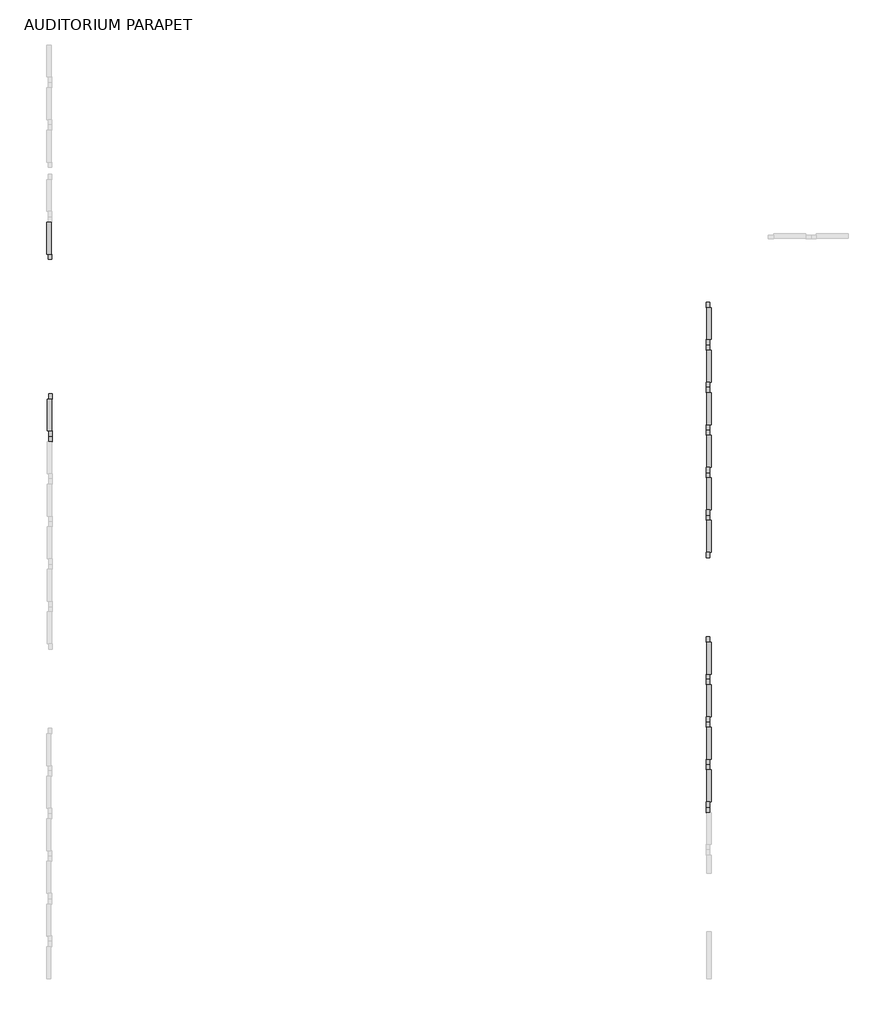
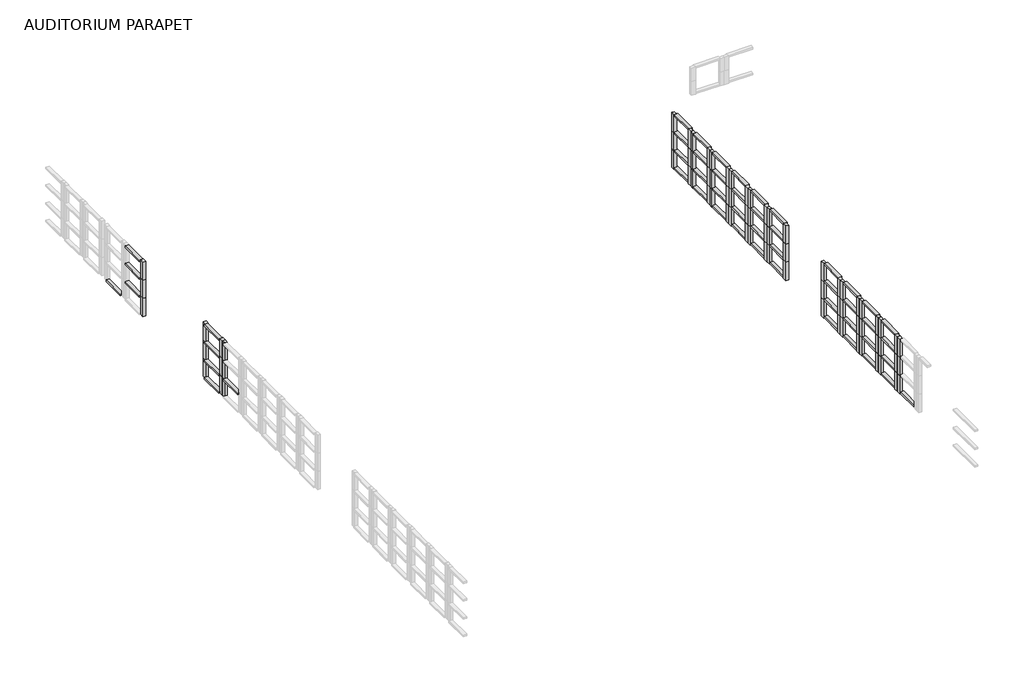
# One storey, part 2 of 6: 125 members.
"""IFC4 building model written with IfcOpenShell, lengths in millimetres."""

import ifcopenshell
import ifcopenshell.guid

model = None  # the IFC model being written
_history = None  # IfcOwnerHistory: only IFC2X3 demands one
_inside = {}  # id of a spatial element -> (the spatial element, [elements in it])
_under = {}  # id of a project, library or spatial element -> (it, [spatial elements below it])
_declared = {}  # id of a project -> (the project, [libraries it declares])
_typed = {}  # id of a type object -> (the type object, [elements of that type])
_made_of = {}  # id of a material, layer set ... -> (it, [elements and type objects made of it])


def new_model(schema):
    """Start an empty IFC model of exactly this schema.

    Asked for "IFC4X3", IfcOpenShell would pick the latest addendum, in which some entities
    have other attributes; the version numbers below select the first issue.
    IFC2X3 requires an IfcOwnerHistory on every rooted entity: one is made here for all.
    """
    global model, _history
    if schema == "IFC4X3":
        model = ifcopenshell.file(schema_version=(4, 3, 0, 0))
    else:
        model = ifcopenshell.file(schema=schema)
    _inside.clear()
    _under.clear()
    _declared.clear()
    _typed.clear()
    _made_of.clear()
    _history = None
    if model.schema == "IFC2X3":
        org = make("IfcOrganization", Name="unknown")
        user = make(
            "IfcPersonAndOrganization",
            ThePerson=make("IfcPerson", FamilyName="unknown"),
            TheOrganization=org,
        )
        app = make(
            "IfcApplication",
            ApplicationDeveloper=org,
            Version="unknown",
            ApplicationFullName="unknown",
            ApplicationIdentifier="unknown",
        )
        _history = make(
            "IfcOwnerHistory",
            OwningUser=user,
            OwningApplication=app,
            ChangeAction="ADDED",
            CreationDate=0,
        )
    return model


def make(cls, **values):
    """One entity of the class cls with the attributes given. An attribute that is None is left unset."""
    return model.create_entity(
        cls, **{name: value for name, value in values.items() if value is not None}
    )


def rooted(cls, **values):
    """An entity with a GlobalId (a new one), such as an element, a storey or a relation."""
    return make(cls, GlobalId=ifcopenshell.guid.new(), OwnerHistory=_history, **values)


def si_unit(unit_type, name, prefix=None):
    """IfcSIUnit, for example si_unit("LENGTHUNIT", "METRE", prefix="MILLI")."""
    return make("IfcSIUnit", UnitType=unit_type, Prefix=prefix, Name=name)


def assignment(units):
    """IfcUnitAssignment: the units of a project."""
    return None if units is None else make("IfcUnitAssignment", Units=units)


def point(xyz):
    """IfcCartesianPoint."""
    return None if xyz is None else make("IfcCartesianPoint", Coordinates=xyz)


def direction(xyz):
    """IfcDirection."""
    return None if xyz is None else make("IfcDirection", DirectionRatios=xyz)


def frame(location, z_axis=None, x_axis=None):
    """IfcAxis2Placement3D, a coordinate frame: its origin and axes. An axis left out is left unset."""
    return make(
        "IfcAxis2Placement3D",
        Location=point(location),
        Axis=direction(z_axis),
        RefDirection=direction(x_axis),
    )


def origin():
    """The frame at (0, 0, 0) with its axes left unset."""
    return frame((0.0, 0.0, 0.0))


def place(relative_to, where):
    """IfcLocalPlacement: puts the frame where relative to a parent placement (None: the world)."""
    return make(
        "IfcLocalPlacement", PlacementRelTo=relative_to, RelativePlacement=where
    )


def context(
    kind, dimensions, precision=None, world=None, true_north=None, identifier=None
):
    """IfcGeometricRepresentationContext, for example the 3D "Model" context."""
    return make(
        "IfcGeometricRepresentationContext",
        ContextIdentifier=identifier,
        ContextType=kind,
        CoordinateSpaceDimension=dimensions,
        Precision=precision,
        WorldCoordinateSystem=world,
        TrueNorth=true_north,
    )


def project(units=None, contexts=None):
    """IfcProject with its units and contexts."""
    return rooted(
        "IfcProject",
        Name="project",
        RepresentationContexts=contexts,
        UnitsInContext=assignment(units),
    )


def spatial(cls, under=None, at=None, **own):
    """A site, building, storey or space (cls), placed at a placement, below another one or the project."""
    s = rooted(cls, ObjectPlacement=at, **own)
    if under is not None:
        _under.setdefault(under.id(), (under, []))[1].append(s)
    return s


def polyline(points):
    """IfcPolyline through the points."""
    return make("IfcPolyline", Points=[point(p) for p in points])


def outline(outer, holes=None, kind="AREA"):
    """IfcArbitraryClosedProfileDef: a profile drawn as a closed curve; with holes, ...WithVoids."""
    if holes is None:
        return make("IfcArbitraryClosedProfileDef", ProfileType=kind, OuterCurve=outer)
    return make(
        "IfcArbitraryProfileDefWithVoids",
        ProfileType=kind,
        OuterCurve=outer,
        InnerCurves=holes,
    )


def extrude(swept, where, along, depth):
    """IfcExtrudedAreaSolid: the profile swept, set in the frame where, extruded along a direction by depth."""
    return make(
        "IfcExtrudedAreaSolid",
        SweptArea=swept,
        Position=where,
        ExtrudedDirection=direction(along),
        Depth=depth,
    )


def shape(context_of_items, identifier, shape_type, items):
    """IfcShapeRepresentation: the items that make up one representation, for example the "Body"."""
    return make(
        "IfcShapeRepresentation",
        ContextOfItems=context_of_items,
        RepresentationIdentifier=identifier,
        RepresentationType=shape_type,
        Items=items,
    )


def source(mapping_origin, context_of_items, identifier, shape_type, items):
    """IfcRepresentationMap: a shape defined once, which mapped items show again and again."""
    return make(
        "IfcRepresentationMap",
        MappingOrigin=mapping_origin,
        MappedRepresentation=shape(context_of_items, identifier, shape_type, items),
    )


def transform(
    local_origin,
    x_axis=None,
    y_axis=None,
    z_axis=None,
    scale=None,
    scale2=None,
    scale3=None,
    uniform=True,
):
    """IfcCartesianTransformationOperator3D, or its non-uniform kind. x_axis, y_axis, z_axis: its Axis1, 2, 3."""
    if uniform:
        return make(
            "IfcCartesianTransformationOperator3D",
            Axis1=direction(x_axis),
            Axis2=direction(y_axis),
            LocalOrigin=point(local_origin),
            Scale=scale,
            Axis3=direction(z_axis),
        )
    return make(
        "IfcCartesianTransformationOperator3DnonUniform",
        Axis1=direction(x_axis),
        Axis2=direction(y_axis),
        LocalOrigin=point(local_origin),
        Scale=scale,
        Axis3=direction(z_axis),
        Scale2=scale2,
        Scale3=scale3,
    )


def mapped(mapping_source, mapping_target):
    """IfcMappedItem: shows the shape of a source again, moved by a transform."""
    return make(
        "IfcMappedItem", MappingSource=mapping_source, MappingTarget=mapping_target
    )


def made_of(thing, what):
    """Note that an element or type object is made of a material, layer set ...; save() writes the relation."""
    if what is not None:
        _made_of.setdefault(what.id(), (what, []))[1].append(thing)
    return thing


def element(
    cls,
    number,
    at=None,
    inside=None,
    cuts=None,
    type_object=None,
    material=None,
    context=None,
    identifier="Body",
    shape_type=None,
    held_by="IfcProductDefinitionShape",
    body=None,
    shapes=None,
    **own,
):
    """One element of the class cls, such as IfcWall. Its Tag is "e" and its number.

    at: its placement. inside: the storey or other place that contains it. cuts: it is an
    opening in that element (IfcRelVoidsElement). A single representation is given by context,
    identifier, shape_type and body (its items); several are given by shapes. held_by: the class
    of the entity that holds the representations. save() writes the other relations.
    """
    e = rooted(cls, Tag="e%d" % number, ObjectPlacement=at, **own)
    if body is not None:
        shapes = [shape(context, identifier, shape_type, body)]
    if shapes is not None:
        e.Representation = make(held_by, Representations=shapes)
    if inside is not None:
        _inside.setdefault(inside.id(), (inside, []))[1].append(e)
    if cuts is not None:
        rooted(
            "IfcRelVoidsElement", RelatingBuildingElement=cuts, RelatedOpeningElement=e
        )
    if type_object is not None:
        _typed.setdefault(type_object.id(), (type_object, []))[1].append(e)
    return made_of(e, material)


def aggregate(whole, parts):
    """IfcRelAggregates: a whole, such as a stair, and the parts it consists of."""
    return rooted("IfcRelAggregates", RelatingObject=whole, RelatedObjects=parts)


def save(model, path):
    """Write the relations noted so far, then the file.

    IfcRelAggregates (storeys below a building ...), IfcRelContainedInSpatialStructure (elements
    in a storey), IfcRelDefinesByType, IfcRelAssociatesMaterial and IfcRelDeclares: one each for
    every whole, place, type object, material and project.
    """
    for whole, parts in _under.values():
        aggregate(whole, parts)
    for where, things in _inside.values():
        rooted(
            "IfcRelContainedInSpatialStructure",
            RelatedElements=things,
            RelatingStructure=where,
        )
    for kind, things in _typed.values():
        rooted("IfcRelDefinesByType", RelatedObjects=things, RelatingType=kind)
    for what, things in _made_of.values():
        rooted("IfcRelAssociatesMaterial", RelatedObjects=things, RelatingMaterial=what)
    for by, libraries in _declared.values():
        rooted("IfcRelDeclares", RelatingContext=by, RelatedDefinitions=libraries)
    model.write(path)


def rectangular_mullion_ace0bac6(model_context):
    return source(origin(), model_context, "Body", "SweptSolid", [
        extrude(outline(polyline([(0.0, 19.05), (0.0, -82.55), (-152.4, -82.55), (-152.4, 19.05), (0.0, 19.05)])), frame((0.0, 0.0, -711.2), z_axis=(0.0, 0.0, 1.0), x_axis=(1.0, 0.0, 0.0)), (0.0, 0.0, 1.0), 711.2),
    ])


def rectangular_mullion_13affec1(model_context):
    return source(origin(), model_context, "Body", "SweptSolid", [
        extrude(outline(polyline([(0.0, 82.55), (0.0, -19.05), (-152.4, -19.05), (-152.4, 82.55), (0.0, 82.55)])), frame((0.0, 0.0, -711.2), z_axis=(0.0, 0.0, 1.0), x_axis=(1.0, 0.0, 0.0)), (0.0, 0.0, 1.0), 711.2),
    ])


def member_73c23c35(model_context):
    return source(origin(), model_context, "Body", "SweptSolid", [
        extrude(outline(polyline([(0.0, 63.5), (0.0, -63.5), (-63.5, -63.5), (-63.5, 63.5), (0.0, 63.5)])), frame((0.0, 0.0, -914.4), z_axis=(0.0, 0.0, 1.0), x_axis=(1.0, 0.0, 0.0)), (0.0, 0.0, 1.0), 914.4),
    ])


def member_410c6227(model_context):
    return source(origin(), model_context, "Body", "SweptSolid", [
        extrude(outline(polyline([(31.75, 63.5), (31.75, -63.5), (-31.75, -63.5), (-31.75, 63.5), (31.75, 63.5)])), frame((0.0, 0.0, -914.4), z_axis=(0.0, 0.0, 1.0), x_axis=(1.0, 0.0, 0.0)), (0.0, 0.0, 1.0), 914.4),
    ])


model = new_model("IFC4")

# Units and contexts
model_context = context("Model", 3, world=origin())
ifc_project = project(units=[si_unit("LENGTHUNIT", "METRE", prefix="MILLI")], contexts=[model_context])

# Site, building, storey
site = spatial("IfcSite", under=ifc_project)
building = spatial("IfcBuilding", under=site)
storey = spatial("IfcBuildingStorey", under=building, Name="AUDITORIUM PARAPET", Elevation=6858.0)

# Members
placement = place(None, origin())
rectangular_mullion_shape = rectangular_mullion_ace0bac6(model_context)
element("IfcMember", 1, ObjectType="Rectangular Mullion", at=placement, inside=storey, context=model_context, shape_type="MappedRepresentation", body=[
    mapped(rectangular_mullion_shape, transform((-226798.4598378, 203305.8144208, 914.4), x_axis=(0.0, 1.0, 0.0), y_axis=(1.0, 0.0, 0.0), z_axis=(0.0, 0.0, -1.0))),
])
element("IfcMember", 2, ObjectType="Rectangular Mullion", at=placement, inside=storey, context=model_context, shape_type="MappedRepresentation", body=[
    mapped(rectangular_mullion_shape, transform((-226798.4598378, 205744.2144208, 914.4), x_axis=(0.0, 1.0, 0.0), y_axis=(1.0, 0.0, 0.0), z_axis=(0.0, 0.0, -1.0))),
])
element("IfcMember", 3, ObjectType="Rectangular Mullion", at=placement, inside=storey, context=model_context, shape_type="MappedRepresentation", body=[
    mapped(rectangular_mullion_shape, transform((-226798.4598378, 200867.4144208, 914.4), x_axis=(0.0, 1.0, 0.0), y_axis=(1.0, 0.0, 0.0), z_axis=(0.0, 0.0, -1.0))),
])
element("IfcMember", 4, ObjectType="Rectangular Mullion", at=placement, inside=storey, context=model_context, shape_type="MappedRepresentation", body=[
    mapped(rectangular_mullion_shape, transform((-226798.4598378, 193722.8960835, 914.4), x_axis=(0.0, 1.0, 0.0), y_axis=(1.0, 0.0, 0.0), z_axis=(0.0, 0.0, -1.0))),
])
element("IfcMember", 5, ObjectType="Rectangular Mullion", at=placement, inside=storey, context=model_context, shape_type="MappedRepresentation", body=[
    mapped(rectangular_mullion_shape, transform((-226798.4598378, 196161.2960835, 914.4), x_axis=(0.0, 1.0, 0.0), y_axis=(1.0, 0.0, 0.0), z_axis=(0.0, 0.0, -1.0))),
])
element("IfcMember", 6, ObjectType="Rectangular Mullion", at=placement, inside=storey, context=model_context, shape_type="MappedRepresentation", body=[
    mapped(rectangular_mullion_shape, transform((-245690.9680239, 208189.4928692, 914.4), x_axis=(0.0, -1.0, 0.0), y_axis=(-1.0, 0.0, 0.0), z_axis=(0.0, 0.0, -1.0))),
])
element("IfcMember", 7, ObjectType="Rectangular Mullion", at=placement, inside=storey, context=model_context, shape_type="MappedRepresentation", body=[
    mapped(rectangular_mullion_shape, transform((-245681.6562056, 203123.2519208, 914.4), x_axis=(0.0, -1.0, 0.0), y_axis=(-1.0, 0.0, 0.0), z_axis=(0.0, 0.0, -1.0))),
])
element("IfcMember", 8, ObjectType="Rectangular Mullion", at=placement, inside=storey, context=model_context, shape_type="MappedRepresentation", body=[
    mapped(rectangular_mullion_shape, transform((-226798.4598378, 202086.6144208, 3048.0), x_axis=(0.0, -1.0, 0.0), y_axis=(1.0, 0.0, 0.0), z_axis=(0.0, 0.0, 1.0))),
])
element("IfcMember", 9, ObjectType="Rectangular Mullion", at=placement, inside=storey, context=model_context, shape_type="MappedRepresentation", body=[
    mapped(rectangular_mullion_shape, transform((-226798.4598378, 204525.0144208, 3048.0), x_axis=(0.0, -1.0, 0.0), y_axis=(1.0, 0.0, 0.0), z_axis=(0.0, 0.0, 1.0))),
])
element("IfcMember", 10, ObjectType="Rectangular Mullion", at=placement, inside=storey, context=model_context, shape_type="MappedRepresentation", body=[
    mapped(rectangular_mullion_shape, transform((-226798.4598378, 199648.2144208, 3048.0), x_axis=(0.0, -1.0, 0.0), y_axis=(1.0, 0.0, 0.0), z_axis=(0.0, 0.0, 1.0))),
])
element("IfcMember", 11, ObjectType="Rectangular Mullion", at=placement, inside=storey, context=model_context, shape_type="MappedRepresentation", body=[
    mapped(rectangular_mullion_shape, transform((-226798.4598378, 192503.6960835, 3048.0), x_axis=(0.0, -1.0, 0.0), y_axis=(1.0, 0.0, 0.0), z_axis=(0.0, 0.0, 1.0))),
])
element("IfcMember", 12, ObjectType="Rectangular Mullion", at=placement, inside=storey, context=model_context, shape_type="MappedRepresentation", body=[
    mapped(rectangular_mullion_shape, transform((-226798.4598378, 194942.0960835, 3048.0), x_axis=(0.0, -1.0, 0.0), y_axis=(1.0, 0.0, 0.0), z_axis=(0.0, 0.0, 1.0))),
])
element("IfcMember", 13, ObjectType="Rectangular Mullion", at=placement, inside=storey, context=model_context, shape_type="MappedRepresentation", body=[
    mapped(rectangular_mullion_shape, transform((-245681.6562056, 204342.4519208, 3048.0), x_axis=(0.0, 1.0, 0.0), y_axis=(-1.0, 0.0, 0.0), z_axis=(0.0, 0.0, 1.0))),
])
rectangular_mullion_2_shape = rectangular_mullion_13affec1(model_context)
element("IfcMember", 14, ObjectType="Rectangular Mullion", at=placement, inside=storey, context=model_context, shape_type="MappedRepresentation", body=[
    mapped(rectangular_mullion_2_shape, transform((-226798.4598378, 203305.8144208, 914.4), x_axis=(0.0, -1.0, 0.0), y_axis=(-1.0, 0.0, 0.0), z_axis=(0.0, 0.0, -1.0))),
])
element("IfcMember", 15, ObjectType="Rectangular Mullion", at=placement, inside=storey, context=model_context, shape_type="MappedRepresentation", body=[
    mapped(rectangular_mullion_2_shape, transform((-226798.4598378, 205744.2144208, 914.4), x_axis=(0.0, -1.0, 0.0), y_axis=(-1.0, 0.0, 0.0), z_axis=(0.0, 0.0, -1.0))),
])
element("IfcMember", 16, ObjectType="Rectangular Mullion", at=placement, inside=storey, context=model_context, shape_type="MappedRepresentation", body=[
    mapped(rectangular_mullion_2_shape, transform((-226798.4598378, 200867.4144208, 914.4), x_axis=(0.0, -1.0, 0.0), y_axis=(-1.0, 0.0, 0.0), z_axis=(0.0, 0.0, -1.0))),
])
element("IfcMember", 17, ObjectType="Rectangular Mullion", at=placement, inside=storey, context=model_context, shape_type="MappedRepresentation", body=[
    mapped(rectangular_mullion_2_shape, transform((-226798.4598378, 193722.8960835, 914.4), x_axis=(0.0, -1.0, 0.0), y_axis=(-1.0, 0.0, 0.0), z_axis=(0.0, 0.0, -1.0))),
])
element("IfcMember", 18, ObjectType="Rectangular Mullion", at=placement, inside=storey, context=model_context, shape_type="MappedRepresentation", body=[
    mapped(rectangular_mullion_2_shape, transform((-226798.4598378, 196161.2960835, 914.4), x_axis=(0.0, -1.0, 0.0), y_axis=(-1.0, 0.0, 0.0), z_axis=(0.0, 0.0, -1.0))),
])
element("IfcMember", 19, ObjectType="Rectangular Mullion", at=placement, inside=storey, context=model_context, shape_type="MappedRepresentation", body=[
    mapped(rectangular_mullion_2_shape, transform((-245681.6562056, 203123.2519208, 914.4), x_axis=(0.0, 1.0, 0.0), y_axis=(1.0, 0.0, 0.0), z_axis=(0.0, 0.0, -1.0))),
])
element("IfcMember", 20, ObjectType="Rectangular Mullion", at=placement, inside=storey, context=model_context, shape_type="MappedRepresentation", body=[
    mapped(rectangular_mullion_2_shape, transform((-226798.4598378, 204525.0144208, 3048.0), x_axis=(0.0, 1.0, 0.0), y_axis=(-1.0, 0.0, 0.0), z_axis=(0.0, 0.0, 1.0))),
])
element("IfcMember", 21, ObjectType="Rectangular Mullion", at=placement, inside=storey, context=model_context, shape_type="MappedRepresentation", body=[
    mapped(rectangular_mullion_2_shape, transform((-226798.4598378, 206963.4144208, 3048.0), x_axis=(0.0, 1.0, 0.0), y_axis=(-1.0, 0.0, 0.0), z_axis=(0.0, 0.0, 1.0))),
])
element("IfcMember", 22, ObjectType="Rectangular Mullion", at=placement, inside=storey, context=model_context, shape_type="MappedRepresentation", body=[
    mapped(rectangular_mullion_2_shape, transform((-226798.4598378, 202086.6144208, 3048.0), x_axis=(0.0, 1.0, 0.0), y_axis=(-1.0, 0.0, 0.0), z_axis=(0.0, 0.0, 1.0))),
])
element("IfcMember", 23, ObjectType="Rectangular Mullion", at=placement, inside=storey, context=model_context, shape_type="MappedRepresentation", body=[
    mapped(rectangular_mullion_2_shape, transform((-226798.4598378, 194942.0960835, 3048.0), x_axis=(0.0, 1.0, 0.0), y_axis=(-1.0, 0.0, 0.0), z_axis=(0.0, 0.0, 1.0))),
])
element("IfcMember", 24, ObjectType="Rectangular Mullion", at=placement, inside=storey, context=model_context, shape_type="MappedRepresentation", body=[
    mapped(rectangular_mullion_2_shape, transform((-226798.4598378, 192503.6960835, 3048.0), x_axis=(0.0, 1.0, 0.0), y_axis=(-1.0, 0.0, 0.0), z_axis=(0.0, 0.0, 1.0))),
])
element("IfcMember", 25, ObjectType="Rectangular Mullion", at=placement, inside=storey, context=model_context, shape_type="MappedRepresentation", body=[
    mapped(rectangular_mullion_2_shape, transform((-226798.4598378, 197380.4960835, 3048.0), x_axis=(0.0, 1.0, 0.0), y_axis=(-1.0, 0.0, 0.0), z_axis=(0.0, 0.0, 1.0))),
])
element("IfcMember", 26, ObjectType="Rectangular Mullion", at=placement, inside=storey, context=model_context, shape_type="MappedRepresentation", body=[
    mapped(rectangular_mullion_2_shape, transform((-226798.4598378, 205744.2144208, 2336.8), x_axis=(0.0, -1.0, 0.0), y_axis=(-1.0, 0.0, 0.0), z_axis=(0.0, 0.0, -1.0))),
])
element("IfcMember", 27, ObjectType="Rectangular Mullion", at=placement, inside=storey, context=model_context, shape_type="MappedRepresentation", body=[
    mapped(rectangular_mullion_2_shape, transform((-226798.4598378, 203305.8144208, 2336.8), x_axis=(0.0, -1.0, 0.0), y_axis=(-1.0, 0.0, 0.0), z_axis=(0.0, 0.0, -1.0))),
])
element("IfcMember", 28, ObjectType="Rectangular Mullion", at=placement, inside=storey, context=model_context, shape_type="MappedRepresentation", body=[
    mapped(rectangular_mullion_2_shape, transform((-226798.4598378, 206963.4144208, 2336.8), x_axis=(0.0, 1.0, 0.0), y_axis=(-1.0, 0.0, 0.0), z_axis=(0.0, 0.0, 1.0))),
])
element("IfcMember", 29, ObjectType="Rectangular Mullion", at=placement, inside=storey, context=model_context, shape_type="MappedRepresentation", body=[
    mapped(rectangular_mullion_2_shape, transform((-226798.4598378, 204525.0144208, 2336.8), x_axis=(0.0, 1.0, 0.0), y_axis=(-1.0, 0.0, 0.0), z_axis=(0.0, 0.0, 1.0))),
])
element("IfcMember", 30, ObjectType="Rectangular Mullion", at=placement, inside=storey, context=model_context, shape_type="MappedRepresentation", body=[
    mapped(rectangular_mullion_2_shape, transform((-226798.4598378, 205744.2144208, 1625.6), x_axis=(0.0, -1.0, 0.0), y_axis=(-1.0, 0.0, 0.0), z_axis=(0.0, 0.0, -1.0))),
])
element("IfcMember", 31, ObjectType="Rectangular Mullion", at=placement, inside=storey, context=model_context, shape_type="MappedRepresentation", body=[
    mapped(rectangular_mullion_2_shape, transform((-226798.4598378, 203305.8144208, 1625.6), x_axis=(0.0, -1.0, 0.0), y_axis=(-1.0, 0.0, 0.0), z_axis=(0.0, 0.0, -1.0))),
])
element("IfcMember", 32, ObjectType="Rectangular Mullion", at=placement, inside=storey, context=model_context, shape_type="MappedRepresentation", body=[
    mapped(rectangular_mullion_2_shape, transform((-226798.4598378, 206963.4144208, 1625.6), x_axis=(0.0, 1.0, 0.0), y_axis=(-1.0, 0.0, 0.0), z_axis=(0.0, 0.0, 1.0))),
])
element("IfcMember", 33, ObjectType="Rectangular Mullion", at=placement, inside=storey, context=model_context, shape_type="MappedRepresentation", body=[
    mapped(rectangular_mullion_2_shape, transform((-226798.4598378, 204525.0144208, 1625.6), x_axis=(0.0, 1.0, 0.0), y_axis=(-1.0, 0.0, 0.0), z_axis=(0.0, 0.0, 1.0))),
])
element("IfcMember", 34, ObjectType="Rectangular Mullion", at=placement, inside=storey, context=model_context, shape_type="MappedRepresentation", body=[
    mapped(rectangular_mullion_shape, transform((-226798.4598378, 205744.2144208, 2336.8), x_axis=(0.0, 1.0, 0.0), y_axis=(1.0, 0.0, 0.0), z_axis=(0.0, 0.0, -1.0))),
])
element("IfcMember", 35, ObjectType="Rectangular Mullion", at=placement, inside=storey, context=model_context, shape_type="MappedRepresentation", body=[
    mapped(rectangular_mullion_shape, transform((-226798.4598378, 203305.8144208, 2336.8), x_axis=(0.0, 1.0, 0.0), y_axis=(1.0, 0.0, 0.0), z_axis=(0.0, 0.0, -1.0))),
])
element("IfcMember", 36, ObjectType="Rectangular Mullion", at=placement, inside=storey, context=model_context, shape_type="MappedRepresentation", body=[
    mapped(rectangular_mullion_shape, transform((-226798.4598378, 200867.4144208, 2336.8), x_axis=(0.0, 1.0, 0.0), y_axis=(1.0, 0.0, 0.0), z_axis=(0.0, 0.0, -1.0))),
])
element("IfcMember", 37, ObjectType="Rectangular Mullion", at=placement, inside=storey, context=model_context, shape_type="MappedRepresentation", body=[
    mapped(rectangular_mullion_shape, transform((-226798.4598378, 196161.2960835, 2336.8), x_axis=(0.0, 1.0, 0.0), y_axis=(1.0, 0.0, 0.0), z_axis=(0.0, 0.0, -1.0))),
])
element("IfcMember", 38, ObjectType="Rectangular Mullion", at=placement, inside=storey, context=model_context, shape_type="MappedRepresentation", body=[
    mapped(rectangular_mullion_shape, transform((-245690.9680239, 208189.4928692, 2336.8), x_axis=(0.0, -1.0, 0.0), y_axis=(-1.0, 0.0, 0.0), z_axis=(0.0, 0.0, -1.0))),
])
element("IfcMember", 39, ObjectType="Rectangular Mullion", at=placement, inside=storey, context=model_context, shape_type="MappedRepresentation", body=[
    mapped(rectangular_mullion_shape, transform((-226798.4598378, 204525.0144208, 2336.8), x_axis=(0.0, -1.0, 0.0), y_axis=(1.0, 0.0, 0.0), z_axis=(0.0, 0.0, 1.0))),
])
element("IfcMember", 40, ObjectType="Rectangular Mullion", at=placement, inside=storey, context=model_context, shape_type="MappedRepresentation", body=[
    mapped(rectangular_mullion_shape, transform((-226798.4598378, 202086.6144208, 2336.8), x_axis=(0.0, -1.0, 0.0), y_axis=(1.0, 0.0, 0.0), z_axis=(0.0, 0.0, 1.0))),
])
element("IfcMember", 41, ObjectType="Rectangular Mullion", at=placement, inside=storey, context=model_context, shape_type="MappedRepresentation", body=[
    mapped(rectangular_mullion_shape, transform((-226798.4598378, 199648.2144208, 2336.8), x_axis=(0.0, -1.0, 0.0), y_axis=(1.0, 0.0, 0.0), z_axis=(0.0, 0.0, 1.0))),
])
element("IfcMember", 42, ObjectType="Rectangular Mullion", at=placement, inside=storey, context=model_context, shape_type="MappedRepresentation", body=[
    mapped(rectangular_mullion_shape, transform((-226798.4598378, 194942.0960835, 2336.8), x_axis=(0.0, -1.0, 0.0), y_axis=(1.0, 0.0, 0.0), z_axis=(0.0, 0.0, 1.0))),
])
element("IfcMember", 43, ObjectType="Rectangular Mullion", at=placement, inside=storey, context=model_context, shape_type="MappedRepresentation", body=[
    mapped(rectangular_mullion_shape, transform((-226798.4598378, 205744.2144208, 1625.6), x_axis=(0.0, 1.0, 0.0), y_axis=(1.0, 0.0, 0.0), z_axis=(0.0, 0.0, -1.0))),
])
element("IfcMember", 44, ObjectType="Rectangular Mullion", at=placement, inside=storey, context=model_context, shape_type="MappedRepresentation", body=[
    mapped(rectangular_mullion_shape, transform((-226798.4598378, 203305.8144208, 1625.6), x_axis=(0.0, 1.0, 0.0), y_axis=(1.0, 0.0, 0.0), z_axis=(0.0, 0.0, -1.0))),
])
element("IfcMember", 45, ObjectType="Rectangular Mullion", at=placement, inside=storey, context=model_context, shape_type="MappedRepresentation", body=[
    mapped(rectangular_mullion_shape, transform((-226798.4598378, 200867.4144208, 1625.6), x_axis=(0.0, 1.0, 0.0), y_axis=(1.0, 0.0, 0.0), z_axis=(0.0, 0.0, -1.0))),
])
element("IfcMember", 46, ObjectType="Rectangular Mullion", at=placement, inside=storey, context=model_context, shape_type="MappedRepresentation", body=[
    mapped(rectangular_mullion_shape, transform((-226798.4598378, 196161.2960835, 1625.6), x_axis=(0.0, 1.0, 0.0), y_axis=(1.0, 0.0, 0.0), z_axis=(0.0, 0.0, -1.0))),
])
element("IfcMember", 47, ObjectType="Rectangular Mullion", at=placement, inside=storey, context=model_context, shape_type="MappedRepresentation", body=[
    mapped(rectangular_mullion_shape, transform((-245690.9680239, 208189.4928692, 1625.6), x_axis=(0.0, -1.0, 0.0), y_axis=(-1.0, 0.0, 0.0), z_axis=(0.0, 0.0, -1.0))),
])
element("IfcMember", 48, ObjectType="Rectangular Mullion", at=placement, inside=storey, context=model_context, shape_type="MappedRepresentation", body=[
    mapped(rectangular_mullion_shape, transform((-226798.4598378, 204525.0144208, 1625.6), x_axis=(0.0, -1.0, 0.0), y_axis=(1.0, 0.0, 0.0), z_axis=(0.0, 0.0, 1.0))),
])
element("IfcMember", 49, ObjectType="Rectangular Mullion", at=placement, inside=storey, context=model_context, shape_type="MappedRepresentation", body=[
    mapped(rectangular_mullion_shape, transform((-226798.4598378, 202086.6144208, 1625.6), x_axis=(0.0, -1.0, 0.0), y_axis=(1.0, 0.0, 0.0), z_axis=(0.0, 0.0, 1.0))),
])
element("IfcMember", 50, ObjectType="Rectangular Mullion", at=placement, inside=storey, context=model_context, shape_type="MappedRepresentation", body=[
    mapped(rectangular_mullion_shape, transform((-226798.4598378, 199648.2144208, 1625.6), x_axis=(0.0, -1.0, 0.0), y_axis=(1.0, 0.0, 0.0), z_axis=(0.0, 0.0, 1.0))),
])
element("IfcMember", 51, ObjectType="Rectangular Mullion", at=placement, inside=storey, context=model_context, shape_type="MappedRepresentation", body=[
    mapped(rectangular_mullion_shape, transform((-226798.4598378, 194942.0960835, 1625.6), x_axis=(0.0, -1.0, 0.0), y_axis=(1.0, 0.0, 0.0), z_axis=(0.0, 0.0, 1.0))),
])
element("IfcMember", 52, ObjectType="Rectangular Mullion", at=placement, inside=storey, context=model_context, shape_type="MappedRepresentation", body=[
    mapped(rectangular_mullion_shape, transform((-226798.4598378, 193722.8960835, 2336.8), x_axis=(0.0, 1.0, 0.0), y_axis=(1.0, 0.0, 0.0), z_axis=(0.0, 0.0, -1.0))),
])
element("IfcMember", 53, ObjectType="Rectangular Mullion", at=placement, inside=storey, context=model_context, shape_type="MappedRepresentation", body=[
    mapped(rectangular_mullion_shape, transform((-245681.6562056, 203123.2519208, 2336.8), x_axis=(0.0, -1.0, 0.0), y_axis=(-1.0, 0.0, 0.0), z_axis=(0.0, 0.0, -1.0))),
])
element("IfcMember", 54, ObjectType="Rectangular Mullion", at=placement, inside=storey, context=model_context, shape_type="MappedRepresentation", body=[
    mapped(rectangular_mullion_shape, transform((-226798.4598378, 192503.6960835, 2336.8), x_axis=(0.0, -1.0, 0.0), y_axis=(1.0, 0.0, 0.0), z_axis=(0.0, 0.0, 1.0))),
])
element("IfcMember", 55, ObjectType="Rectangular Mullion", at=placement, inside=storey, context=model_context, shape_type="MappedRepresentation", body=[
    mapped(rectangular_mullion_shape, transform((-245681.6562056, 204342.4519208, 2336.8), x_axis=(0.0, 1.0, 0.0), y_axis=(-1.0, 0.0, 0.0), z_axis=(0.0, 0.0, 1.0))),
])
element("IfcMember", 56, ObjectType="Rectangular Mullion", at=placement, inside=storey, context=model_context, shape_type="MappedRepresentation", body=[
    mapped(rectangular_mullion_shape, transform((-226798.4598378, 193722.8960835, 1625.6), x_axis=(0.0, 1.0, 0.0), y_axis=(1.0, 0.0, 0.0), z_axis=(0.0, 0.0, -1.0))),
])
element("IfcMember", 57, ObjectType="Rectangular Mullion", at=placement, inside=storey, context=model_context, shape_type="MappedRepresentation", body=[
    mapped(rectangular_mullion_shape, transform((-245681.6562056, 203123.2519208, 1625.6), x_axis=(0.0, -1.0, 0.0), y_axis=(-1.0, 0.0, 0.0), z_axis=(0.0, 0.0, -1.0))),
])
element("IfcMember", 58, ObjectType="Rectangular Mullion", at=placement, inside=storey, context=model_context, shape_type="MappedRepresentation", body=[
    mapped(rectangular_mullion_shape, transform((-226798.4598378, 192503.6960835, 1625.6), x_axis=(0.0, -1.0, 0.0), y_axis=(1.0, 0.0, 0.0), z_axis=(0.0, 0.0, 1.0))),
])
element("IfcMember", 59, ObjectType="Rectangular Mullion", at=placement, inside=storey, context=model_context, shape_type="MappedRepresentation", body=[
    mapped(rectangular_mullion_shape, transform((-245681.6562056, 204342.4519208, 1625.6), x_axis=(0.0, 1.0, 0.0), y_axis=(-1.0, 0.0, 0.0), z_axis=(0.0, 0.0, 1.0))),
])
element("IfcMember", 60, ObjectType="Rectangular Mullion", at=placement, inside=storey, context=model_context, shape_type="MappedRepresentation", body=[
    mapped(rectangular_mullion_2_shape, transform((-226798.4598378, 200867.4144208, 2336.8), x_axis=(0.0, -1.0, 0.0), y_axis=(-1.0, 0.0, 0.0), z_axis=(0.0, 0.0, -1.0))),
])
element("IfcMember", 61, ObjectType="Rectangular Mullion", at=placement, inside=storey, context=model_context, shape_type="MappedRepresentation", body=[
    mapped(rectangular_mullion_2_shape, transform((-226798.4598378, 193722.8960835, 2336.8), x_axis=(0.0, -1.0, 0.0), y_axis=(-1.0, 0.0, 0.0), z_axis=(0.0, 0.0, -1.0))),
])
element("IfcMember", 62, ObjectType="Rectangular Mullion", at=placement, inside=storey, context=model_context, shape_type="MappedRepresentation", body=[
    mapped(rectangular_mullion_2_shape, transform((-226798.4598378, 196161.2960835, 2336.8), x_axis=(0.0, -1.0, 0.0), y_axis=(-1.0, 0.0, 0.0), z_axis=(0.0, 0.0, -1.0))),
])
element("IfcMember", 63, ObjectType="Rectangular Mullion", at=placement, inside=storey, context=model_context, shape_type="MappedRepresentation", body=[
    mapped(rectangular_mullion_2_shape, transform((-245681.6562056, 203123.2519208, 2336.8), x_axis=(0.0, 1.0, 0.0), y_axis=(1.0, 0.0, 0.0), z_axis=(0.0, 0.0, -1.0))),
])
element("IfcMember", 64, ObjectType="Rectangular Mullion", at=placement, inside=storey, context=model_context, shape_type="MappedRepresentation", body=[
    mapped(rectangular_mullion_2_shape, transform((-226798.4598378, 202086.6144208, 2336.8), x_axis=(0.0, 1.0, 0.0), y_axis=(-1.0, 0.0, 0.0), z_axis=(0.0, 0.0, 1.0))),
])
element("IfcMember", 65, ObjectType="Rectangular Mullion", at=placement, inside=storey, context=model_context, shape_type="MappedRepresentation", body=[
    mapped(rectangular_mullion_2_shape, transform((-226798.4598378, 192503.6960835, 2336.8), x_axis=(0.0, 1.0, 0.0), y_axis=(-1.0, 0.0, 0.0), z_axis=(0.0, 0.0, 1.0))),
])
element("IfcMember", 66, ObjectType="Rectangular Mullion", at=placement, inside=storey, context=model_context, shape_type="MappedRepresentation", body=[
    mapped(rectangular_mullion_2_shape, transform((-226798.4598378, 194942.0960835, 2336.8), x_axis=(0.0, 1.0, 0.0), y_axis=(-1.0, 0.0, 0.0), z_axis=(0.0, 0.0, 1.0))),
])
element("IfcMember", 67, ObjectType="Rectangular Mullion", at=placement, inside=storey, context=model_context, shape_type="MappedRepresentation", body=[
    mapped(rectangular_mullion_2_shape, transform((-226798.4598378, 197380.4960835, 2336.8), x_axis=(0.0, 1.0, 0.0), y_axis=(-1.0, 0.0, 0.0), z_axis=(0.0, 0.0, 1.0))),
])
element("IfcMember", 68, ObjectType="Rectangular Mullion", at=placement, inside=storey, context=model_context, shape_type="MappedRepresentation", body=[
    mapped(rectangular_mullion_2_shape, transform((-226798.4598378, 200867.4144208, 1625.6), x_axis=(0.0, -1.0, 0.0), y_axis=(-1.0, 0.0, 0.0), z_axis=(0.0, 0.0, -1.0))),
])
element("IfcMember", 69, ObjectType="Rectangular Mullion", at=placement, inside=storey, context=model_context, shape_type="MappedRepresentation", body=[
    mapped(rectangular_mullion_2_shape, transform((-226798.4598378, 193722.8960835, 1625.6), x_axis=(0.0, -1.0, 0.0), y_axis=(-1.0, 0.0, 0.0), z_axis=(0.0, 0.0, -1.0))),
])
element("IfcMember", 70, ObjectType="Rectangular Mullion", at=placement, inside=storey, context=model_context, shape_type="MappedRepresentation", body=[
    mapped(rectangular_mullion_2_shape, transform((-226798.4598378, 196161.2960835, 1625.6), x_axis=(0.0, -1.0, 0.0), y_axis=(-1.0, 0.0, 0.0), z_axis=(0.0, 0.0, -1.0))),
])
element("IfcMember", 71, ObjectType="Rectangular Mullion", at=placement, inside=storey, context=model_context, shape_type="MappedRepresentation", body=[
    mapped(rectangular_mullion_2_shape, transform((-245681.6562056, 203123.2519208, 1625.6), x_axis=(0.0, 1.0, 0.0), y_axis=(1.0, 0.0, 0.0), z_axis=(0.0, 0.0, -1.0))),
])
element("IfcMember", 72, ObjectType="Rectangular Mullion", at=placement, inside=storey, context=model_context, shape_type="MappedRepresentation", body=[
    mapped(rectangular_mullion_2_shape, transform((-226798.4598378, 202086.6144208, 1625.6), x_axis=(0.0, 1.0, 0.0), y_axis=(-1.0, 0.0, 0.0), z_axis=(0.0, 0.0, 1.0))),
])
element("IfcMember", 73, ObjectType="Rectangular Mullion", at=placement, inside=storey, context=model_context, shape_type="MappedRepresentation", body=[
    mapped(rectangular_mullion_2_shape, transform((-226798.4598378, 192503.6960835, 1625.6), x_axis=(0.0, 1.0, 0.0), y_axis=(-1.0, 0.0, 0.0), z_axis=(0.0, 0.0, 1.0))),
])
element("IfcMember", 74, ObjectType="Rectangular Mullion", at=placement, inside=storey, context=model_context, shape_type="MappedRepresentation", body=[
    mapped(rectangular_mullion_2_shape, transform((-226798.4598378, 194942.0960835, 1625.6), x_axis=(0.0, 1.0, 0.0), y_axis=(-1.0, 0.0, 0.0), z_axis=(0.0, 0.0, 1.0))),
])
element("IfcMember", 75, ObjectType="Rectangular Mullion", at=placement, inside=storey, context=model_context, shape_type="MappedRepresentation", body=[
    mapped(rectangular_mullion_2_shape, transform((-226798.4598378, 197380.4960835, 1625.6), x_axis=(0.0, 1.0, 0.0), y_axis=(-1.0, 0.0, 0.0), z_axis=(0.0, 0.0, 1.0))),
])
member_shape = member_73c23c35(model_context)
element("IfcMember", 76, ObjectType="Rectangular Mullion : 2.5\" x 5\" rectangular", at=placement, inside=storey, context=model_context, shape_type="MappedRepresentation", body=[
    mapped(member_shape, transform((-226798.4598378, 203153.4144208, 3048.0), x_axis=(0.0, 0.0, 1.0), y_axis=(1.0, 0.0, 0.0), z_axis=(0.0, 1.0, 0.0))),
])
element("IfcMember", 77, ObjectType="Rectangular Mullion : 2.5\" x 5\" rectangular", at=placement, inside=storey, context=model_context, shape_type="MappedRepresentation", body=[
    mapped(member_shape, transform((-226798.4598378, 205591.8144208, 3048.0), x_axis=(0.0, 0.0, 1.0), y_axis=(1.0, 0.0, 0.0), z_axis=(0.0, 1.0, 0.0))),
])
element("IfcMember", 78, ObjectType="Rectangular Mullion : 2.5\" x 5\" rectangular", at=placement, inside=storey, context=model_context, shape_type="MappedRepresentation", body=[
    mapped(member_shape, transform((-226798.4598378, 200715.0144208, 3048.0), x_axis=(0.0, 0.0, 1.0), y_axis=(1.0, 0.0, 0.0), z_axis=(0.0, 1.0, 0.0))),
])
element("IfcMember", 79, ObjectType="Rectangular Mullion : 2.5\" x 5\" rectangular", at=placement, inside=storey, context=model_context, shape_type="MappedRepresentation", body=[
    mapped(member_shape, transform((-226798.4598378, 193570.4960835, 3048.0), x_axis=(0.0, 0.0, 1.0), y_axis=(1.0, 0.0, 0.0), z_axis=(0.0, 1.0, 0.0))),
])
element("IfcMember", 80, ObjectType="Rectangular Mullion : 2.5\" x 5\" rectangular", at=placement, inside=storey, context=model_context, shape_type="MappedRepresentation", body=[
    mapped(member_shape, transform((-226798.4598378, 196008.8960835, 3048.0), x_axis=(0.0, 0.0, 1.0), y_axis=(1.0, 0.0, 0.0), z_axis=(0.0, 1.0, 0.0))),
])
element("IfcMember", 81, ObjectType="Rectangular Mullion : 2.5\" x 5\" rectangular", at=placement, inside=storey, context=model_context, shape_type="MappedRepresentation", body=[
    mapped(member_shape, transform((-245690.9680239, 208341.8928692, 3048.0), x_axis=(0.0, 0.0, 1.0), y_axis=(-1.0, 0.0, 0.0), z_axis=(0.0, -1.0, 0.0))),
])
element("IfcMember", 82, ObjectType="Rectangular Mullion : 2.5\" x 5\" rectangular", at=placement, inside=storey, context=model_context, shape_type="MappedRepresentation", body=[
    mapped(member_shape, transform((-245681.6562056, 203275.6519208, 3048.0), x_axis=(0.0, 0.0, 1.0), y_axis=(-1.0, 0.0, 0.0), z_axis=(0.0, -1.0, 0.0))),
])
element("IfcMember", 83, ObjectType="Rectangular Mullion : 2.5\" x 5\" rectangular", at=placement, inside=storey, context=model_context, shape_type="MappedRepresentation", body=[
    mapped(member_shape, transform((-226798.4598378, 202239.0144208, 914.4), x_axis=(0.0, 0.0, -1.0), y_axis=(1.0, 0.0, 0.0), z_axis=(0.0, -1.0, 0.0))),
])
element("IfcMember", 84, ObjectType="Rectangular Mullion : 2.5\" x 5\" rectangular", at=placement, inside=storey, context=model_context, shape_type="MappedRepresentation", body=[
    mapped(member_shape, transform((-226798.4598378, 204677.4144208, 914.4), x_axis=(0.0, 0.0, -1.0), y_axis=(1.0, 0.0, 0.0), z_axis=(0.0, -1.0, 0.0))),
])
element("IfcMember", 85, ObjectType="Rectangular Mullion : 2.5\" x 5\" rectangular", at=placement, inside=storey, context=model_context, shape_type="MappedRepresentation", body=[
    mapped(member_shape, transform((-226798.4598378, 199800.6144208, 914.4), x_axis=(0.0, 0.0, -1.0), y_axis=(1.0, 0.0, 0.0), z_axis=(0.0, -1.0, 0.0))),
])
element("IfcMember", 86, ObjectType="Rectangular Mullion : 2.5\" x 5\" rectangular", at=placement, inside=storey, context=model_context, shape_type="MappedRepresentation", body=[
    mapped(member_shape, transform((-226798.4598378, 192656.0960835, 914.4), x_axis=(0.0, 0.0, -1.0), y_axis=(1.0, 0.0, 0.0), z_axis=(0.0, -1.0, 0.0))),
])
element("IfcMember", 87, ObjectType="Rectangular Mullion : 2.5\" x 5\" rectangular", at=placement, inside=storey, context=model_context, shape_type="MappedRepresentation", body=[
    mapped(member_shape, transform((-226798.4598378, 195094.4960835, 914.4), x_axis=(0.0, 0.0, -1.0), y_axis=(1.0, 0.0, 0.0), z_axis=(0.0, -1.0, 0.0))),
])
element("IfcMember", 88, ObjectType="Rectangular Mullion : 2.5\" x 5\" rectangular", at=placement, inside=storey, context=model_context, shape_type="MappedRepresentation", body=[
    mapped(member_shape, transform((-245681.6562056, 204190.0519208, 914.4), x_axis=(0.0, 0.0, -1.0), y_axis=(-1.0, 0.0, 0.0), z_axis=(0.0, 1.0, 0.0))),
])
member_2_shape = member_410c6227(model_context)
element("IfcMember", 89, ObjectType="Rectangular Mullion : 2.5\" x 5\" rectangular", at=placement, inside=storey, context=model_context, shape_type="MappedRepresentation", body=[
    mapped(member_2_shape, transform((-226798.4598378, 205591.8144208, 2336.8), x_axis=(0.0, 0.0, 1.0), y_axis=(1.0, 0.0, 0.0), z_axis=(0.0, 1.0, 0.0))),
])
element("IfcMember", 90, ObjectType="Rectangular Mullion : 2.5\" x 5\" rectangular", at=placement, inside=storey, context=model_context, shape_type="MappedRepresentation", body=[
    mapped(member_2_shape, transform((-226798.4598378, 205591.8144208, 1625.6), x_axis=(0.0, 0.0, 1.0), y_axis=(1.0, 0.0, 0.0), z_axis=(0.0, 1.0, 0.0))),
])
element("IfcMember", 91, ObjectType="Rectangular Mullion : 2.5\" x 5\" rectangular", at=placement, inside=storey, context=model_context, shape_type="MappedRepresentation", body=[
    mapped(member_2_shape, transform((-226798.4598378, 203153.4144208, 1625.6), x_axis=(0.0, 0.0, 1.0), y_axis=(1.0, 0.0, 0.0), z_axis=(0.0, 1.0, 0.0))),
])
element("IfcMember", 92, ObjectType="Rectangular Mullion : 2.5\" x 5\" rectangular", at=placement, inside=storey, context=model_context, shape_type="MappedRepresentation", body=[
    mapped(member_2_shape, transform((-226798.4598378, 203153.4144208, 2336.8), x_axis=(0.0, 0.0, 1.0), y_axis=(1.0, 0.0, 0.0), z_axis=(0.0, 1.0, 0.0))),
])
element("IfcMember", 93, ObjectType="Rectangular Mullion : 2.5\" x 5\" rectangular", at=placement, inside=storey, context=model_context, shape_type="MappedRepresentation", body=[
    mapped(member_2_shape, transform((-226798.4598378, 200715.0144208, 1625.6), x_axis=(0.0, 0.0, 1.0), y_axis=(1.0, 0.0, 0.0), z_axis=(0.0, 1.0, 0.0))),
])
element("IfcMember", 94, ObjectType="Rectangular Mullion : 2.5\" x 5\" rectangular", at=placement, inside=storey, context=model_context, shape_type="MappedRepresentation", body=[
    mapped(member_2_shape, transform((-226798.4598378, 200715.0144208, 2336.8), x_axis=(0.0, 0.0, 1.0), y_axis=(1.0, 0.0, 0.0), z_axis=(0.0, 1.0, 0.0))),
])
element("IfcMember", 95, ObjectType="Rectangular Mullion : 2.5\" x 5\" rectangular", at=placement, inside=storey, context=model_context, shape_type="MappedRepresentation", body=[
    mapped(member_2_shape, transform((-226798.4598378, 196008.8960835, 1625.6), x_axis=(0.0, 0.0, 1.0), y_axis=(1.0, 0.0, 0.0), z_axis=(0.0, 1.0, 0.0))),
])
element("IfcMember", 96, ObjectType="Rectangular Mullion : 2.5\" x 5\" rectangular", at=placement, inside=storey, context=model_context, shape_type="MappedRepresentation", body=[
    mapped(member_2_shape, transform((-226798.4598378, 196008.8960835, 2336.8), x_axis=(0.0, 0.0, 1.0), y_axis=(1.0, 0.0, 0.0), z_axis=(0.0, 1.0, 0.0))),
])
element("IfcMember", 97, ObjectType="Rectangular Mullion : 2.5\" x 5\" rectangular", at=placement, inside=storey, context=model_context, shape_type="MappedRepresentation", body=[
    mapped(member_2_shape, transform((-245690.9680239, 208341.8928692, 2336.8), x_axis=(0.0, 0.0, 1.0), y_axis=(-1.0, 0.0, 0.0), z_axis=(0.0, -1.0, 0.0))),
])
element("IfcMember", 98, ObjectType="Rectangular Mullion : 2.5\" x 5\" rectangular", at=placement, inside=storey, context=model_context, shape_type="MappedRepresentation", body=[
    mapped(member_2_shape, transform((-245690.9680239, 208341.8928692, 1625.6), x_axis=(0.0, 0.0, 1.0), y_axis=(-1.0, 0.0, 0.0), z_axis=(0.0, -1.0, 0.0))),
])
element("IfcMember", 99, ObjectType="Rectangular Mullion : 2.5\" x 5\" rectangular", at=placement, inside=storey, context=model_context, shape_type="MappedRepresentation", body=[
    mapped(member_shape, transform((-226798.4598378, 203458.2144208, 3048.0), x_axis=(0.0, 0.0, 1.0), y_axis=(-1.0, 0.0, 0.0), z_axis=(0.0, -1.0, 0.0))),
])
element("IfcMember", 100, ObjectType="Rectangular Mullion : 2.5\" x 5\" rectangular", at=placement, inside=storey, context=model_context, shape_type="MappedRepresentation", body=[
    mapped(member_shape, transform((-226798.4598378, 205896.6144208, 3048.0), x_axis=(0.0, 0.0, 1.0), y_axis=(-1.0, 0.0, 0.0), z_axis=(0.0, -1.0, 0.0))),
])
element("IfcMember", 101, ObjectType="Rectangular Mullion : 2.5\" x 5\" rectangular", at=placement, inside=storey, context=model_context, shape_type="MappedRepresentation", body=[
    mapped(member_shape, transform((-226798.4598378, 201019.8144208, 3048.0), x_axis=(0.0, 0.0, 1.0), y_axis=(-1.0, 0.0, 0.0), z_axis=(0.0, -1.0, 0.0))),
])
element("IfcMember", 102, ObjectType="Rectangular Mullion : 2.5\" x 5\" rectangular", at=placement, inside=storey, context=model_context, shape_type="MappedRepresentation", body=[
    mapped(member_shape, transform((-226798.4598378, 193875.2960835, 3048.0), x_axis=(0.0, 0.0, 1.0), y_axis=(-1.0, 0.0, 0.0), z_axis=(0.0, -1.0, 0.0))),
])
element("IfcMember", 103, ObjectType="Rectangular Mullion : 2.5\" x 5\" rectangular", at=placement, inside=storey, context=model_context, shape_type="MappedRepresentation", body=[
    mapped(member_shape, transform((-226798.4598378, 196313.6960835, 3048.0), x_axis=(0.0, 0.0, 1.0), y_axis=(-1.0, 0.0, 0.0), z_axis=(0.0, -1.0, 0.0))),
])
element("IfcMember", 104, ObjectType="Rectangular Mullion : 2.5\" x 5\" rectangular", at=placement, inside=storey, context=model_context, shape_type="MappedRepresentation", body=[
    mapped(member_shape, transform((-226798.4598378, 204372.6144208, 914.4), x_axis=(0.0, 0.0, -1.0), y_axis=(-1.0, 0.0, 0.0), z_axis=(0.0, 1.0, 0.0))),
])
element("IfcMember", 105, ObjectType="Rectangular Mullion : 2.5\" x 5\" rectangular", at=placement, inside=storey, context=model_context, shape_type="MappedRepresentation", body=[
    mapped(member_shape, transform((-226798.4598378, 206811.0144208, 914.4), x_axis=(0.0, 0.0, -1.0), y_axis=(-1.0, 0.0, 0.0), z_axis=(0.0, 1.0, 0.0))),
])
element("IfcMember", 106, ObjectType="Rectangular Mullion : 2.5\" x 5\" rectangular", at=placement, inside=storey, context=model_context, shape_type="MappedRepresentation", body=[
    mapped(member_shape, transform((-226798.4598378, 201934.2144208, 914.4), x_axis=(0.0, 0.0, -1.0), y_axis=(-1.0, 0.0, 0.0), z_axis=(0.0, 1.0, 0.0))),
])
element("IfcMember", 107, ObjectType="Rectangular Mullion : 2.5\" x 5\" rectangular", at=placement, inside=storey, context=model_context, shape_type="MappedRepresentation", body=[
    mapped(member_shape, transform((-226798.4598378, 194789.6960835, 914.4), x_axis=(0.0, 0.0, -1.0), y_axis=(-1.0, 0.0, 0.0), z_axis=(0.0, 1.0, 0.0))),
])
element("IfcMember", 108, ObjectType="Rectangular Mullion : 2.5\" x 5\" rectangular", at=placement, inside=storey, context=model_context, shape_type="MappedRepresentation", body=[
    mapped(member_shape, transform((-226798.4598378, 192351.2960835, 914.4), x_axis=(0.0, 0.0, -1.0), y_axis=(-1.0, 0.0, 0.0), z_axis=(0.0, 1.0, 0.0))),
])
element("IfcMember", 109, ObjectType="Rectangular Mullion : 2.5\" x 5\" rectangular", at=placement, inside=storey, context=model_context, shape_type="MappedRepresentation", body=[
    mapped(member_shape, transform((-226798.4598378, 197228.0960835, 914.4), x_axis=(0.0, 0.0, -1.0), y_axis=(-1.0, 0.0, 0.0), z_axis=(0.0, 1.0, 0.0))),
])
element("IfcMember", 110, ObjectType="Rectangular Mullion : 2.5\" x 5\" rectangular", at=placement, inside=storey, context=model_context, shape_type="MappedRepresentation", body=[
    mapped(member_shape, transform((-245690.9680239, 209561.0928692, 914.4), x_axis=(0.0, 0.0, -1.0), y_axis=(1.0, 0.0, 0.0), z_axis=(0.0, -1.0, 0.0))),
])
element("IfcMember", 111, ObjectType="Rectangular Mullion : 2.5\" x 5\" rectangular", at=placement, inside=storey, context=model_context, shape_type="MappedRepresentation", body=[
    mapped(member_2_shape, transform((-226798.4598378, 205896.6144208, 1625.6), x_axis=(0.0, 0.0, 1.0), y_axis=(-1.0, 0.0, 0.0), z_axis=(0.0, -1.0, 0.0))),
])
element("IfcMember", 112, ObjectType="Rectangular Mullion : 2.5\" x 5\" rectangular", at=placement, inside=storey, context=model_context, shape_type="MappedRepresentation", body=[
    mapped(member_2_shape, transform((-226798.4598378, 205896.6144208, 2336.8), x_axis=(0.0, 0.0, 1.0), y_axis=(-1.0, 0.0, 0.0), z_axis=(0.0, -1.0, 0.0))),
])
element("IfcMember", 113, ObjectType="Rectangular Mullion : 2.5\" x 5\" rectangular", at=placement, inside=storey, context=model_context, shape_type="MappedRepresentation", body=[
    mapped(member_2_shape, transform((-226798.4598378, 203458.2144208, 2336.8), x_axis=(0.0, 0.0, 1.0), y_axis=(-1.0, 0.0, 0.0), z_axis=(0.0, -1.0, 0.0))),
])
element("IfcMember", 114, ObjectType="Rectangular Mullion : 2.5\" x 5\" rectangular", at=placement, inside=storey, context=model_context, shape_type="MappedRepresentation", body=[
    mapped(member_2_shape, transform((-226798.4598378, 203458.2144208, 1625.6), x_axis=(0.0, 0.0, 1.0), y_axis=(-1.0, 0.0, 0.0), z_axis=(0.0, -1.0, 0.0))),
])
element("IfcMember", 115, ObjectType="Rectangular Mullion : 2.5\" x 5\" rectangular", at=placement, inside=storey, context=model_context, shape_type="MappedRepresentation", body=[
    mapped(member_2_shape, transform((-226798.4598378, 201019.8144208, 1625.6), x_axis=(0.0, 0.0, 1.0), y_axis=(-1.0, 0.0, 0.0), z_axis=(0.0, -1.0, 0.0))),
])
element("IfcMember", 116, ObjectType="Rectangular Mullion : 2.5\" x 5\" rectangular", at=placement, inside=storey, context=model_context, shape_type="MappedRepresentation", body=[
    mapped(member_2_shape, transform((-226798.4598378, 201019.8144208, 2336.8), x_axis=(0.0, 0.0, 1.0), y_axis=(-1.0, 0.0, 0.0), z_axis=(0.0, -1.0, 0.0))),
])
element("IfcMember", 117, ObjectType="Rectangular Mullion : 2.5\" x 5\" rectangular", at=placement, inside=storey, context=model_context, shape_type="MappedRepresentation", body=[
    mapped(member_2_shape, transform((-226798.4598378, 193875.2960835, 1625.6), x_axis=(0.0, 0.0, 1.0), y_axis=(-1.0, 0.0, 0.0), z_axis=(0.0, -1.0, 0.0))),
])
element("IfcMember", 118, ObjectType="Rectangular Mullion : 2.5\" x 5\" rectangular", at=placement, inside=storey, context=model_context, shape_type="MappedRepresentation", body=[
    mapped(member_2_shape, transform((-226798.4598378, 193875.2960835, 2336.8), x_axis=(0.0, 0.0, 1.0), y_axis=(-1.0, 0.0, 0.0), z_axis=(0.0, -1.0, 0.0))),
])
element("IfcMember", 119, ObjectType="Rectangular Mullion : 2.5\" x 5\" rectangular", at=placement, inside=storey, context=model_context, shape_type="MappedRepresentation", body=[
    mapped(member_2_shape, transform((-226798.4598378, 196313.6960835, 1625.6), x_axis=(0.0, 0.0, 1.0), y_axis=(-1.0, 0.0, 0.0), z_axis=(0.0, -1.0, 0.0))),
])
element("IfcMember", 120, ObjectType="Rectangular Mullion : 2.5\" x 5\" rectangular", at=placement, inside=storey, context=model_context, shape_type="MappedRepresentation", body=[
    mapped(member_2_shape, transform((-226798.4598378, 196313.6960835, 2336.8), x_axis=(0.0, 0.0, 1.0), y_axis=(-1.0, 0.0, 0.0), z_axis=(0.0, -1.0, 0.0))),
])
element("IfcMember", 121, ObjectType="Rectangular Mullion : 2.5\" x 5\" rectangular", at=placement, inside=storey, context=model_context, shape_type="MappedRepresentation", body=[
    mapped(member_2_shape, transform((-245681.6562056, 202970.8519208, 1625.6), x_axis=(0.0, 0.0, 1.0), y_axis=(1.0, 0.0, 0.0), z_axis=(0.0, 1.0, 0.0))),
])
element("IfcMember", 122, ObjectType="Rectangular Mullion : 2.5\" x 5\" rectangular", at=placement, inside=storey, context=model_context, shape_type="MappedRepresentation", body=[
    mapped(member_2_shape, transform((-226798.4598378, 193570.4960835, 2336.8), x_axis=(0.0, 0.0, 1.0), y_axis=(1.0, 0.0, 0.0), z_axis=(0.0, 1.0, 0.0))),
])
element("IfcMember", 123, ObjectType="Rectangular Mullion : 2.5\" x 5\" rectangular", at=placement, inside=storey, context=model_context, shape_type="MappedRepresentation", body=[
    mapped(member_2_shape, transform((-226798.4598378, 193570.4960835, 1625.6), x_axis=(0.0, 0.0, 1.0), y_axis=(1.0, 0.0, 0.0), z_axis=(0.0, 1.0, 0.0))),
])
element("IfcMember", 124, ObjectType="Rectangular Mullion : 2.5\" x 5\" rectangular", at=placement, inside=storey, context=model_context, shape_type="MappedRepresentation", body=[
    mapped(member_2_shape, transform((-245681.6562056, 203275.6519208, 1625.6), x_axis=(0.0, 0.0, 1.0), y_axis=(-1.0, 0.0, 0.0), z_axis=(0.0, -1.0, 0.0))),
])
element("IfcMember", 125, ObjectType="Rectangular Mullion : 2.5\" x 5\" rectangular", at=placement, inside=storey, context=model_context, shape_type="MappedRepresentation", body=[
    mapped(member_2_shape, transform((-245681.6562056, 203275.6519208, 2336.8), x_axis=(0.0, 0.0, 1.0), y_axis=(-1.0, 0.0, 0.0), z_axis=(0.0, -1.0, 0.0))),
])

save(model, "model.ifc")
